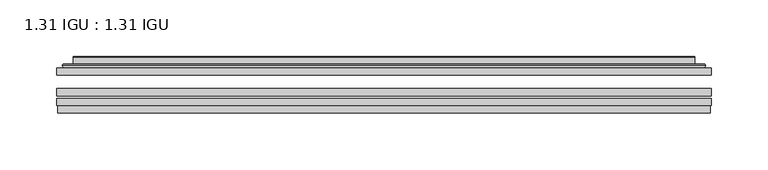
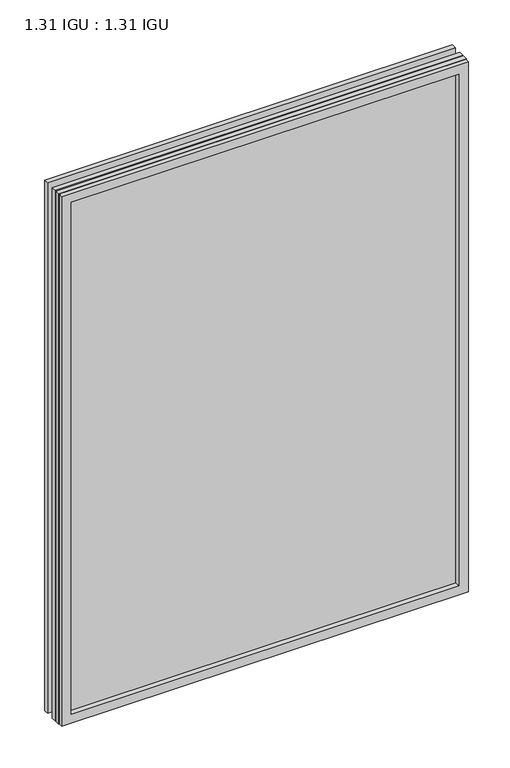
"""IFC4 building model written with IfcOpenShell, lengths in millimetres: plate geometry, 1.31 IGU : 1.31 IGU."""

from ifc_helpers import new_model, si_unit, frame, origin, place, context, project, spatial, polyline, ellipse_curve, outline, extrude, faceted_brep, source, transform, mapped, element, save
from ifc_brep_helpers import plane_surface, cylinder_surface, advanced_brep


def plate_1_31_igu_1_31_igu_47c63d7b(model_context):
    return source(origin(), model_context, "Body", "SolidModel", [
        extrude(outline(polyline([(287.351675, -63.59525), (287.351675, -69.94525), (-287.3375, -69.94525), (-287.3375, -63.59525), (287.351675, -63.59525)])), frame((0.0, 0.0, -14.2875), z_axis=(0.0, 0.0, 1.0), x_axis=(1.0, 0.0, 0.0)), (0.0, 0.0, 1.0), 790.596575),
        extrude(outline(polyline([(-287.3375, -78.58125), (-287.3375, -72.230745), (287.351675, -72.230745), (287.351675, -78.58125), (-287.3375, -78.58125)])), frame((0.0, 0.0, -14.2875), z_axis=(0.0, 0.0, 1.0), x_axis=(1.0, 0.0, 0.0)), (0.0, 0.0, 1.0), 790.596575),
        extrude(outline(polyline([(287.351675, -45.25645), (287.351675, -51.60645), (-287.3375, -51.60645), (-287.3375, -45.25645), (287.351675, -45.25645)])), frame((0.0, 0.0, -14.2875), z_axis=(0.0, 0.0, 1.0), x_axis=(1.0, 0.0, 0.0)), (0.0, 0.0, 1.0), 790.596575),
        faceted_brep([(-286.6373142, -84.93125, 775.6050914), (-286.6373142, -78.58125, 775.6050914), (-286.6373142, -78.58125, -13.5873142), (-286.6373142, -84.93125, -13.5873142), (286.6373142, -78.58125, -13.5873142), (286.6373142, -84.93125, -13.5873142), (286.6373142, -78.58125, 775.6050914), (286.6373142, -84.93125, 775.6050914), (-272.1522559, -78.58125, 0.8977441), (272.1522559, -78.58125, 0.8977441), (272.1522559, -78.58125, 761.120033), (-272.1522559, -78.58125, 761.120033), (-273.0446902, -84.93125, 762.0124673), (273.0446902, -84.93125, 762.0124673), (273.0446902, -84.93125, 0.0053098), (-273.0446902, -84.93125, 0.0053098)], [[[0, 1, 2, 3]], [[3, 2, 4, 5]], [[5, 4, 6, 7]], [[1, 6, 4, 2], [8, 9, 10, 11]], [[7, 6, 1, 0]], [[3, 5, 7, 0], [12, 13, 14, 15]], [[11, 12, 15, 8]], [[8, 15, 14, 9]], [[9, 14, 13, 10]], [[10, 13, 12, 11]]]),
        advanced_brep(
        [(-280.096219, -45.25645, 769.0639962), (-282.4504244, -43.2667833, 771.4182015), (-282.4504244, -43.2667833, -9.4004244), (-280.096219, -45.25645, -7.046219), (-271.0218939, -41.416413, 759.9896711), (-266.0870621, -45.25645, 755.0548392), (-266.0870621, -45.25645, 6.9629379), (-271.0218939, -41.416413, 2.0281061), (-272.0539217, -36.0191819, 761.0216988), (-272.0539217, -36.0191819, 0.9960783), (-273.0445784, -35.6202069, 762.0123556), (-273.0445784, -35.6202069, 0.0054216), (-273.0445784, -42.08145, 762.0123556), (-273.0445784, -42.08145, 0.0054216), (-281.4486349, -42.08145, 770.416412), (-281.4486349, -42.08145, -8.3986349), (282.4504244, -43.2667833, -9.4004244), (280.096219, -45.25645, -7.046219), (266.0870621, -45.25645, 6.9629379), (271.0218939, -41.416413, 2.0281061), (272.0539217, -36.0191819, 0.9960783), (273.0445784, -35.6202069, 0.0054216), (273.0445784, -42.08145, 0.0054216), (281.4486349, -42.08145, -8.3986349), (282.4504244, -43.2667833, 771.4182015), (280.096219, -45.25645, 769.0639962), (266.0870621, -45.25645, 755.0548392), (271.0218939, -41.416413, 759.9896711), (272.0539217, -36.0191819, 761.0216988), (273.0445784, -35.6202069, 762.0123556), (273.0445784, -42.08145, 762.0123556), (281.4486349, -42.08145, 770.416412)],
        [
            (0, 1, ellipse_curve(frame((-280.096219, -42.86885, 769.0639962), z_axis=(-0.7071067811865475, 0.0, -0.7071067811865475), x_axis=(-0.7071067811865474, 0.0, 0.7071067811865476)), 3.3765763, 2.3876)),
            (1, 2),
            (2, 3, ellipse_curve(frame((-280.096219, -42.86885, -7.046219), z_axis=(-0.7071067811865475, 0.0, 0.7071067811865475), x_axis=(0.7071067811865474, 0.0, 0.7071067811865476)), 3.3765763, 2.3876)),
            (3, 0),
            (4, 5),
            (5, 6),
            (6, 7),
            (7, 4),
            (8, 4),
            (7, 9),
            (9, 8),
            (10, 8, ellipse_curve(frame((-272.6776219, -36.1384423, 761.645399), z_axis=(-0.7071067811865475, 0.0, -0.7071067811865475), x_axis=(-0.7071067811865474, 0.0, 0.7071067811865476)), 0.8980256, 0.635)),
            (9, 11, ellipse_curve(frame((-272.6776219, -36.1384423, 0.3723781), z_axis=(-0.7071067811865475, 0.0, 0.7071067811865475), x_axis=(0.7071067811865474, 0.0, 0.7071067811865476)), 0.8980256, 0.635)),
            (11, 10),
            (12, 10),
            (11, 13),
            (13, 12),
            (1, 14, ellipse_curve(frame((-281.4486349, -43.09745, 770.416412), z_axis=(-0.7071067811865475, 0.0, -0.7071067811865475), x_axis=(-0.7071067811865474, 0.0, 0.7071067811865476)), 1.436841, 1.016)),
            (14, 15),
            (15, 2, ellipse_curve(frame((-281.4486349, -43.09745, -8.3986349), z_axis=(-0.7071067811865475, 0.0, 0.7071067811865475), x_axis=(0.7071067811865474, 0.0, 0.7071067811865476)), 1.436841, 1.016)),
            (2, 16),
            (16, 17, ellipse_curve(frame((280.096219, -42.86885, -7.046219), z_axis=(-0.7071067811865475, 0.0, -0.7071067811865475), x_axis=(-0.7071067811865476, 0.0, 0.7071067811865474)), 3.3765763, 2.3876)),
            (17, 3),
            (6, 18),
            (18, 19),
            (19, 7),
            (19, 20),
            (20, 9),
            (20, 21, ellipse_curve(frame((272.6776219, -36.1384423, 0.3723781), z_axis=(-0.7071067811865475, 0.0, -0.7071067811865475), x_axis=(-0.7071067811865476, 0.0, 0.7071067811865474)), 0.8980256, 0.635)),
            (21, 11),
            (21, 22),
            (22, 13),
            (15, 23),
            (23, 16, ellipse_curve(frame((281.4486349, -43.09745, -8.3986349), z_axis=(-0.7071067811865475, 0.0, -0.7071067811865475), x_axis=(-0.7071067811865476, 0.0, 0.7071067811865474)), 1.436841, 1.016)),
            (16, 24),
            (24, 25, ellipse_curve(frame((280.096219, -42.86885, 769.0639962), z_axis=(0.7071067811865475, 0.0, -0.7071067811865475), x_axis=(-0.7071067811865474, 0.0, -0.7071067811865476)), 3.3765763, 2.3876)),
            (25, 17),
            (18, 26),
            (26, 27),
            (27, 19),
            (27, 28),
            (28, 20),
            (28, 29, ellipse_curve(frame((272.6776219, -36.1384423, 761.645399), z_axis=(0.7071067811865475, 0.0, -0.7071067811865475), x_axis=(-0.7071067811865474, 0.0, -0.7071067811865476)), 0.8980256, 0.635)),
            (29, 21),
            (29, 30),
            (30, 22),
            (23, 31),
            (31, 24, ellipse_curve(frame((281.4486349, -43.09745, 770.416412), z_axis=(0.7071067811865475, 0.0, -0.7071067811865475), x_axis=(-0.7071067811865474, 0.0, -0.7071067811865476)), 1.436841, 1.016)),
            (24, 1),
            (0, 25),
            (5, 26),
            (4, 27),
            (8, 28),
            (10, 29),
            (12, 30),
            (14, 31),
        ],
        [
            cylinder_surface(frame((-280.096219, -42.86885, 793.7677772), z_axis=(0.0, 0.0, 1.0), x_axis=(-1.0, 0.0, 0.0)), 2.3876),
            plane_surface(frame((-266.0870621, -45.25645, 755.0548392), z_axis=(0.6141233906514794, 0.7892100234124821, 0.0), x_axis=(0.0, 0.0, -1.0))),
            plane_surface(frame((-271.0218939, -41.416413, 759.9896711), z_axis=(0.9822050625507729, 0.18781164793386076, 0.0), x_axis=(0.0, 0.0, -1.0))),
            cylinder_surface(frame((-272.6776219, -36.1384423, 793.7677772), z_axis=(0.0, 0.0, 1.0), x_axis=(-1.0, 0.0, 0.0)), 0.635),
            plane_surface(frame((-273.0445784, -35.6202069, 762.0123556), z_axis=(-1.0, 0.0, 0.0), x_axis=(0.0, 0.0, -1.0))),
            cylinder_surface(frame((-281.4486349, -43.09745, 793.7677772), z_axis=(0.0, 0.0, 1.0), x_axis=(-1.0, 0.0, 0.0)), 1.016),
            cylinder_surface(frame((-304.8, -42.86885, -7.046219), z_axis=(-1.0, 0.0, 0.0), x_axis=(0.0, 0.0, -1.0)), 2.3876),
            plane_surface(frame((-266.0870621, -45.25645, 6.9629379), z_axis=(0.0, 0.7892100234124841, 0.6141233906514768), x_axis=(1.0, 0.0, 0.0))),
            plane_surface(frame((-271.0218939, -41.416413, 2.0281061), z_axis=(0.0, 0.18781164793386393, 0.9822050625507723), x_axis=(1.0, 0.0, 0.0))),
            cylinder_surface(frame((-304.8, -36.1384423, 0.3723781), z_axis=(-1.0, 0.0, 0.0), x_axis=(0.0, 0.0, -1.0)), 0.635),
            plane_surface(frame((-273.0445784, -35.6202069, 0.0054216), z_axis=(0.0, 0.0, -1.0), x_axis=(1.0, 0.0, 0.0))),
            cylinder_surface(frame((-304.8, -43.09745, -8.3986349), z_axis=(-1.0, 0.0, 0.0), x_axis=(0.0, 0.0, -1.0)), 1.016),
            cylinder_surface(frame((280.096219, -42.86885, -31.75), z_axis=(0.0, 0.0, -1.0), x_axis=(1.0, 0.0, 0.0)), 2.3876),
            plane_surface(frame((266.0870621, -45.25645, 6.9629379), z_axis=(-0.6141233906514743, 0.7892100234124861, 0.0), x_axis=(0.0, 0.0, 1.0))),
            plane_surface(frame((271.0218939, -41.416413, 2.0281061), z_axis=(-0.9822050625507718, 0.1878116479338671, 0.0), x_axis=(0.0, 0.0, 1.0))),
            cylinder_surface(frame((272.6776219, -36.1384423, -31.75), z_axis=(0.0, 0.0, -1.0), x_axis=(1.0, 0.0, 0.0)), 0.635),
            plane_surface(frame((273.0445784, -35.6202069, 0.0054216), z_axis=(1.0, 0.0, 0.0), x_axis=(0.0, 0.0, 1.0))),
            cylinder_surface(frame((281.4486349, -43.09745, -31.75), z_axis=(0.0, 0.0, -1.0), x_axis=(1.0, 0.0, 0.0)), 1.016),
            cylinder_surface(frame((304.8, -42.86885, 769.0639962), z_axis=(1.0, 0.0, 0.0), x_axis=(0.0, 0.0, 1.0)), 2.3876),
            plane_surface(frame((280.096219, -45.25645, 769.0639962), z_axis=(0.0, -1.0, 0.0), x_axis=(-1.0, 0.0, 0.0))),
            plane_surface(frame((266.0870621, -45.25645, 755.0548392), z_axis=(0.0, 0.7892100234124841, -0.6141233906514768), x_axis=(-1.0, 0.0, 0.0))),
            plane_surface(frame((271.0218939, -41.416413, 759.9896711), z_axis=(0.0, 0.18781164793386393, -0.9822050625507723), x_axis=(-1.0, 0.0, 0.0))),
            cylinder_surface(frame((304.8, -36.1384423, 761.645399), z_axis=(1.0, 0.0, 0.0), x_axis=(0.0, 0.0, 1.0)), 0.635),
            plane_surface(frame((273.0445784, -35.6202069, 762.0123556), z_axis=(0.0, 0.0, 1.0), x_axis=(-1.0, 0.0, 0.0))),
            plane_surface(frame((273.0445784, -42.08145, 762.0123556), z_axis=(0.0, 1.0, 0.0), x_axis=(-1.0, 0.0, 0.0))),
            cylinder_surface(frame((304.8, -43.09745, 770.416412), z_axis=(1.0, 0.0, 0.0), x_axis=(0.0, 0.0, 1.0)), 1.016),
        ],
        [
            (0, [[1, 2, 3, 4]]),
            (1, [[5, 6, 7, 8]]),
            (2, [[9, -8, 10, 11]]),
            (3, [[12, -11, 13, 14]]),
            (4, [[15, -14, 16, 17]]),
            (5, [[18, 19, 20, -2]]),
            (6, [[-3, 21, 22, 23]]),
            (7, [[-7, 24, 25, 26]]),
            (8, [[-10, -26, 27, 28]]),
            (9, [[-13, -28, 29, 30]]),
            (10, [[-16, -30, 31, 32]]),
            (11, [[-20, 33, 34, -21]]),
            (12, [[-22, 35, 36, 37]]),
            (13, [[-25, 38, 39, 40]]),
            (14, [[-27, -40, 41, 42]]),
            (15, [[-29, -42, 43, 44]]),
            (16, [[-31, -44, 45, 46]]),
            (17, [[-34, 47, 48, -35]]),
            (18, [[-36, 49, -1, 50]]),
            (19, [[-23, -37, -50, -4], [51, -38, -24, -6]]),
            (20, [[-39, -51, -5, 52]]),
            (21, [[-41, -52, -9, 53]]),
            (22, [[-43, -53, -12, 54]]),
            (23, [[-45, -54, -15, 55]]),
            (24, [[56, -47, -33, -19], [-32, -46, -55, -17]]),
            (25, [[-48, -56, -18, -49]]),
        ],
    ),
    ])


if __name__ == "__main__":
    model = new_model("IFC4")
    model_context = context("Model", 3, world=origin())
    ifc_project = project(units=[si_unit("LENGTHUNIT", "METRE", prefix="MILLI")], contexts=[model_context])
    site = spatial("IfcSite", under=ifc_project)
    building = spatial("IfcBuilding", under=site)
    placement = place(None, origin())
    plate_1_31_igu_1_31_igu_shape = plate_1_31_igu_1_31_igu_47c63d7b(model_context)
    element("IfcPlate", 1, ObjectType="1.31 IGU : 1.31 IGU", at=placement, inside=building, context=model_context, shape_type="MappedRepresentation", body=[
        mapped(plate_1_31_igu_1_31_igu_shape, transform((0.0, 0.0, 0.0), x_axis=(1.0, 0.0, 0.0), y_axis=(0.0, 1.0, 0.0), z_axis=(0.0, 0.0, 1.0))),
    ])
    save(model, "model.ifc")
